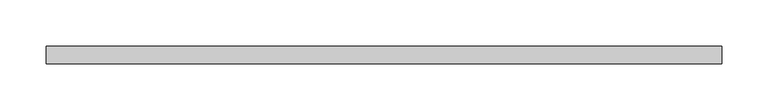
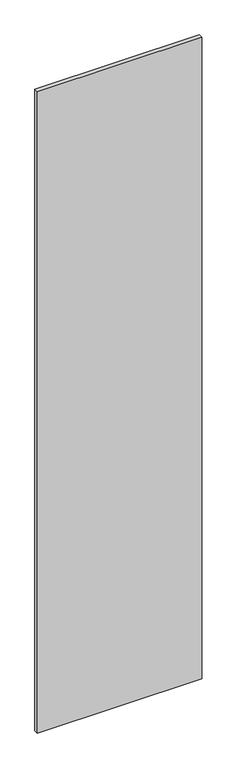
"""IFC4 building model written with IfcOpenShell, lengths in millimetres: proxy geometry."""

from ifc_helpers import new_model, si_unit, frame, origin, place, context, project, spatial, polyline, outline, extrude, source, transform, mapped, element, save


def specialty_equipment_90ac5ef3(model_context):
    return source(origin(), model_context, "Body", "SweptSolid", [
        extrude(outline(polyline([(365.2809092, 9.525), (365.2809092, -9.525), (-365.2809092, -9.525), (-365.2809092, 9.525), (365.2809092, 9.525)])), frame((0.0, 0.0, 3.175), z_axis=(0.0, 0.0, 1.0), x_axis=(1.0, 0.0, 0.0)), (0.0, 0.0, 1.0), 3013.075),
    ])


if __name__ == "__main__":
    model = new_model("IFC4")
    model_context = context("Model", 3, world=origin())
    ifc_project = project(units=[si_unit("LENGTHUNIT", "METRE", prefix="MILLI")], contexts=[model_context])
    site = spatial("IfcSite", under=ifc_project)
    building = spatial("IfcBuilding", under=site)
    placement = place(None, origin())
    specialty_equipment_shape = specialty_equipment_90ac5ef3(model_context)
    element("IfcBuildingElementProxy", 1, Name="Specialty Equipment", at=placement, inside=building, context=model_context, shape_type="MappedRepresentation", body=[
        mapped(specialty_equipment_shape, transform((0.0, 0.0, 0.0), x_axis=(1.0, 0.0, 0.0), y_axis=(0.0, 1.0, 0.0), z_axis=(0.0, 0.0, 1.0))),
    ])
    save(model, "model.ifc")
